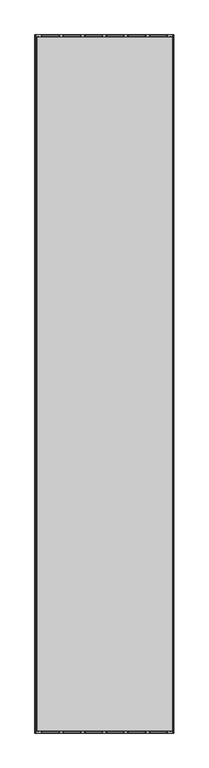
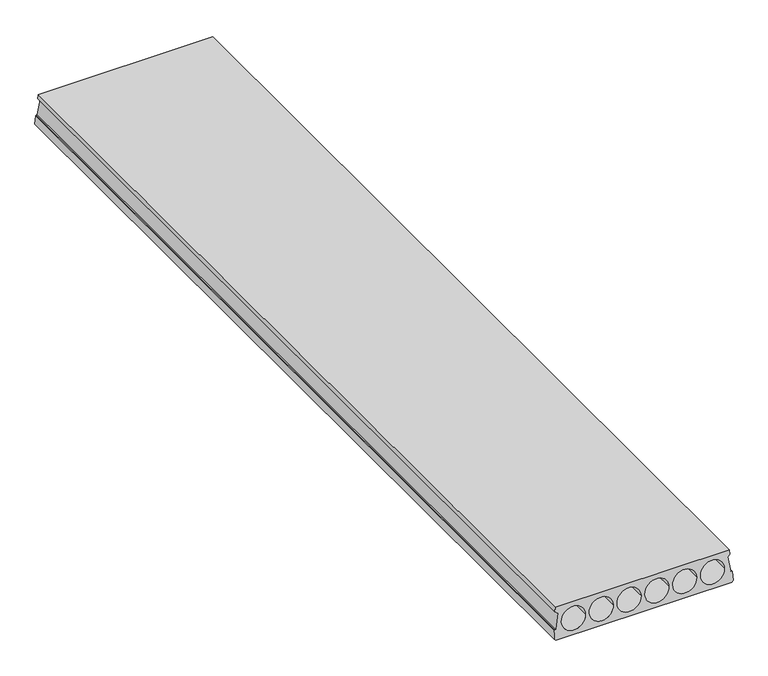
"""IFC4 building model written with IfcOpenShell, lengths in millimetres: beam geometry."""

from ifc_helpers import new_model, si_unit, frame, origin, place, context, project, spatial, polyline, ellipse_curve, source, transform, mapped, element, save
from ifc_brep_helpers import plane_surface, revolved_surface, advanced_brep


def beam_27642840(model_context):
    return source(origin(), model_context, "Body", "AdvancedBrep", [
        advanced_brep(
        [(10.0, -5980.0, 0.0), (10.0, 0.0, 0.0), (1180.0, 0.0, 0.0), (1180.0, -5980.0, 0.0), (1174.7696772, -15.0, 220.0), (15.0, -15.0, 220.0), (15.0, -5965.0, 220.0), (1174.7696772, -5965.0, 220.0), (12.8871596, -12.9831978, 190.4202344), (15.8795357, -12.9686245, 190.2064933), (15.8795357, -5967.0313755, 190.2064933), (12.8871596, -5967.0168022, 190.4202344), (29.9864516, -12.0796557, 177.1682831), (29.9864516, -5967.9203443, 177.1682831), (12.6021714, -5.0553442, 74.1450488), (12.6021714, -5974.9446558, 74.1450488), (7.3298897, -4.8075988, 70.5114493), (7.3298897, -5975.1924012, 70.5114493), (4.3580656, -4.8417899, 71.0129189), (4.3580656, -5975.1582101, 71.0129189), (0.0, -0.6818182, 10.0), (0.0, -5979.3181818, 10.0), (1190.0, -0.6818182, 10.0), (1190.0, -5979.3181818, 10.0), (1185.6391914, -4.8444083, 71.051321), (1185.6391914, -5975.1555917, 71.051321), (1182.4401418, -4.8076029, 70.5115091), (1182.4401418, -5975.1923971, 70.5115091), (1177.167566, -5.0553621, 74.1453113), (1177.167566, -5974.9446379, 74.1453113), (1159.9865416, -12.0796614, 177.1683675), (1159.9865416, -5967.9203386, 177.1683675), (1173.8901415, -12.9686245, 190.2064933), (1173.8901415, -5967.0313755, 190.2064933), (1176.8825176, -12.9831978, 190.4202344), (1176.8825176, -5967.0168022, 190.4202344), (212.0, -7.4401262, 109.1218503), (53.0, -7.4401262, 109.1218503), (53.0, -5972.5598738, 109.1218503), (212.0, -5972.5598738, 109.1218503), (397.0, -7.4401262, 109.1218503), (238.0, -7.4401262, 109.1218503), (238.0, -5972.5598738, 109.1218503), (397.0, -5972.5598738, 109.1218503), (423.0, -7.4401262, 109.1218503), (582.0, -7.4401262, 109.1218503), (608.0, -7.4401262, 109.1218503), (767.0, -7.4401262, 109.1218503), (793.0, -7.4401262, 109.1218503), (952.0, -7.4401262, 109.1218503), (978.0, -7.4401262, 109.1218503), (1137.0, -7.4401262, 109.1218503), (582.0, -5972.5598738, 109.1218503), (423.0, -5972.5598738, 109.1218503), (767.0, -5972.5598738, 109.1218503), (608.0, -5972.5598738, 109.1218503), (952.0, -5972.5598738, 109.1218503), (793.0, -5972.5598738, 109.1218503), (1137.0, -5972.5598738, 109.1218503), (978.0, -5972.5598738, 109.1218503)],
        [
            (0, 1),
            (1, 2),
            (2, 3),
            (3, 0),
            (4, 5),
            (5, 6),
            (6, 7),
            (7, 4),
            (8, 9),
            (9, 10),
            (10, 11),
            (11, 8),
            (9, 12),
            (12, 13),
            (13, 10),
            (12, 14),
            (14, 15),
            (15, 13),
            (14, 16),
            (16, 17),
            (17, 15),
            (16, 18),
            (18, 19),
            (19, 17),
            (18, 20),
            (20, 21),
            (21, 19),
            (0, 21),
            (20, 1),
            (2, 22),
            (22, 23),
            (23, 3),
            (22, 24),
            (24, 25),
            (25, 23),
            (24, 26),
            (26, 27),
            (27, 25),
            (26, 28),
            (28, 29),
            (29, 27),
            (28, 30),
            (30, 31),
            (31, 29),
            (30, 32),
            (32, 33),
            (33, 31),
            (32, 34),
            (34, 35),
            (35, 33),
            (34, 4),
            (7, 35),
            (36, 37, ellipse_curve(frame((132.5, -7.4401262, 109.1218503), z_axis=(0.0, 0.9976836926815401, 0.06802388813737582), x_axis=(0.0, -0.06802388813737509, 0.9976836926815403)), 79.684574, 79.5)),
            (37, 38),
            (38, 39, ellipse_curve(frame((132.5, -5972.5598738, 109.1218503), z_axis=(0.0, -0.9976836926815401, 0.0680238881373752), x_axis=(0.0, -0.06802388813737571, -0.9976836926815402)), 79.684574, 79.5)),
            (39, 36),
            (37, 36, ellipse_curve(frame((132.5, -7.4401262, 109.1218503), z_axis=(0.0, 0.9976836926815401, 0.06802388813737582), x_axis=(0.0, -0.06802388813737509, 0.9976836926815403)), 79.684574, 79.5)),
            (39, 38, ellipse_curve(frame((132.5, -5972.5598738, 109.1218503), z_axis=(0.0, -0.9976836926815401, 0.0680238881373752), x_axis=(0.0, -0.06802388813737571, -0.9976836926815402)), 79.684574, 79.5)),
            (40, 41, ellipse_curve(frame((317.5, -7.4401262, 109.1218503), z_axis=(0.0, 0.9976836926815401, 0.06802388813737582), x_axis=(0.0, -0.06802388813737509, 0.9976836926815403)), 79.684574, 79.5)),
            (41, 42),
            (42, 43, ellipse_curve(frame((317.5, -5972.5598738, 109.1218503), z_axis=(0.0, -0.9976836926815401, 0.0680238881373752), x_axis=(0.0, -0.06802388813737571, -0.9976836926815402)), 79.684574, 79.5)),
            (43, 40),
            (41, 40, ellipse_curve(frame((317.5, -7.4401262, 109.1218503), z_axis=(0.0, 0.9976836926815401, 0.06802388813737582), x_axis=(0.0, -0.06802388813737509, 0.9976836926815403)), 79.684574, 79.5)),
            (43, 42, ellipse_curve(frame((317.5, -5972.5598738, 109.1218503), z_axis=(0.0, -0.9976836926815401, 0.0680238881373752), x_axis=(0.0, -0.06802388813737571, -0.9976836926815402)), 79.684574, 79.5)),
            (8, 5),
            (44, 45, ellipse_curve(frame((502.5, -7.4401262, 109.1218503), z_axis=(0.0, -0.9976836926815401, -0.06802388813737582), x_axis=(0.0, -0.06802388813737509, 0.9976836926815403)), 79.684574, 79.5)),
            (45, 44, ellipse_curve(frame((502.5, -7.4401262, 109.1218503), z_axis=(0.0, -0.9976836926815401, -0.06802388813737582), x_axis=(0.0, -0.06802388813737509, 0.9976836926815403)), 79.684574, 79.5)),
            (46, 47, ellipse_curve(frame((687.5, -7.4401262, 109.1218503), z_axis=(0.0, -0.9976836926815401, -0.06802388813737582), x_axis=(0.0, -0.06802388813737509, 0.9976836926815403)), 79.684574, 79.5)),
            (47, 46, ellipse_curve(frame((687.5, -7.4401262, 109.1218503), z_axis=(0.0, -0.9976836926815401, -0.06802388813737582), x_axis=(0.0, -0.06802388813737509, 0.9976836926815403)), 79.684574, 79.5)),
            (48, 49, ellipse_curve(frame((872.5, -7.4401262, 109.1218503), z_axis=(0.0, -0.9976836926815401, -0.06802388813737582), x_axis=(0.0, -0.06802388813737509, 0.9976836926815403)), 79.684574, 79.5)),
            (49, 48, ellipse_curve(frame((872.5, -7.4401262, 109.1218503), z_axis=(0.0, -0.9976836926815401, -0.06802388813737582), x_axis=(0.0, -0.06802388813737509, 0.9976836926815403)), 79.684574, 79.5)),
            (50, 51, ellipse_curve(frame((1057.5, -7.4401262, 109.1218503), z_axis=(0.0, -0.9976836926815401, -0.06802388813737582), x_axis=(0.0, -0.06802388813737509, 0.9976836926815403)), 79.684574, 79.5)),
            (51, 50, ellipse_curve(frame((1057.5, -7.4401262, 109.1218503), z_axis=(0.0, -0.9976836926815401, -0.06802388813737582), x_axis=(0.0, -0.06802388813737509, 0.9976836926815403)), 79.684574, 79.5)),
            (6, 11),
            (52, 53, ellipse_curve(frame((502.5, -5972.5598738, 109.1218503), z_axis=(0.0, 0.9976836926815401, -0.0680238881373752), x_axis=(0.0, -0.06802388813737571, -0.9976836926815402)), 79.684574, 79.5)),
            (53, 52, ellipse_curve(frame((502.5, -5972.5598738, 109.1218503), z_axis=(0.0, 0.9976836926815401, -0.0680238881373752), x_axis=(0.0, -0.06802388813737571, -0.9976836926815402)), 79.684574, 79.5)),
            (54, 55, ellipse_curve(frame((687.5, -5972.5598738, 109.1218503), z_axis=(0.0, 0.9976836926815401, -0.0680238881373752), x_axis=(0.0, -0.06802388813737571, -0.9976836926815402)), 79.684574, 79.5)),
            (55, 54, ellipse_curve(frame((687.5, -5972.5598738, 109.1218503), z_axis=(0.0, 0.9976836926815401, -0.0680238881373752), x_axis=(0.0, -0.06802388813737571, -0.9976836926815402)), 79.684574, 79.5)),
            (56, 57, ellipse_curve(frame((872.5, -5972.5598738, 109.1218503), z_axis=(0.0, 0.9976836926815401, -0.0680238881373752), x_axis=(0.0, -0.06802388813737571, -0.9976836926815402)), 79.684574, 79.5)),
            (57, 56, ellipse_curve(frame((872.5, -5972.5598738, 109.1218503), z_axis=(0.0, 0.9976836926815401, -0.0680238881373752), x_axis=(0.0, -0.06802388813737571, -0.9976836926815402)), 79.684574, 79.5)),
            (58, 59, ellipse_curve(frame((1057.5, -5972.5598738, 109.1218503), z_axis=(0.0, 0.9976836926815401, -0.0680238881373752), x_axis=(0.0, -0.06802388813737571, -0.9976836926815402)), 79.684574, 79.5)),
            (59, 58, ellipse_curve(frame((1057.5, -5972.5598738, 109.1218503), z_axis=(0.0, 0.9976836926815401, -0.0680238881373752), x_axis=(0.0, -0.06802388813737571, -0.9976836926815402)), 79.684574, 79.5)),
            (44, 53),
            (52, 45),
            (46, 55),
            (54, 47),
            (48, 57),
            (56, 49),
            (50, 59),
            (58, 51),
        ],
        [
            plane_surface(frame((10.0, -5980.0, 0.0), z_axis=(0.0, 0.0, -1.0), x_axis=(0.0, 1.0, 0.0))),
            plane_surface(frame((1174.7696772, -5980.0, 220.0), z_axis=(0.0, 0.0, 1.0), x_axis=(0.0, 1.0, 0.0))),
            plane_surface(frame((12.8871596, -5980.0, 190.4202344), z_axis=(-0.07124704998790854, 0.0, -0.9974586998307351), x_axis=(0.0, 1.0, 0.0))),
            plane_surface(frame((15.8795357, -5980.0, 190.2064933), z_axis=(-0.6787421090247223, 0.0, -0.7343767081251095), x_axis=(0.0, 1.0, 0.0))),
            plane_surface(frame((29.9864516, -5980.0, 177.1682831), z_axis=(-0.986060169345494, 0.0, 0.16638912954377705), x_axis=(0.0, 1.0, 0.0))),
            plane_surface(frame((12.6021714, -5980.0, 74.1450488), z_axis=(-0.5674729108239465, 0.0, 0.8233920666857298), x_axis=(0.0, 1.0, 0.0))),
            plane_surface(frame((7.3298897, -5980.0, 70.5114493), z_axis=(0.1663891295437833, 0.0, 0.9860601693454929), x_axis=(0.0, 1.0, 0.0))),
            plane_surface(frame((4.3580656, -5980.0, 71.0129189), z_axis=(-0.9974586998307351, 0.0, 0.07124704998791023), x_axis=(0.0, 1.0, 0.0))),
            plane_surface(frame((0.0, -5980.0, 10.0), z_axis=(-0.7071067811865309, 0.0, -0.7071067811865641), x_axis=(0.0, 1.0, 0.0))),
            plane_surface(frame((1180.0, -5980.0, 0.0), z_axis=(0.7071067811866504, 0.0, -0.7071067811864447), x_axis=(0.0, 1.0, 0.0))),
            plane_surface(frame((1190.0, -5980.0, 10.0), z_axis=(0.9974586998307324, 0.0, 0.07124704998794615), x_axis=(0.0, 1.0, 0.0))),
            plane_surface(frame((1185.6391914, -5980.0, 71.051321), z_axis=(-0.16638912954377913, 0.0, 0.9860601693454937), x_axis=(0.0, 1.0, 0.0))),
            plane_surface(frame((1182.4401418, -5980.0, 70.5115091), z_axis=(0.5674729108239595, 0.0, 0.8233920666857208), x_axis=(0.0, 1.0, 0.0))),
            plane_surface(frame((1177.167566, -5980.0, 74.1453113), z_axis=(0.9863775932866558, 0.0, 0.16449694058560713), x_axis=(0.0, 1.0, 0.0))),
            plane_surface(frame((1159.9865416, -5980.0, 177.1683675), z_axis=(0.6840388775846207, 0.0, -0.729445552425109), x_axis=(0.0, 1.0, 0.0))),
            plane_surface(frame((1173.8901415, -5980.0, 190.2064933), z_axis=(0.07124704998787597, 0.0, -0.9974586998307374), x_axis=(0.0, 1.0, 0.0))),
            plane_surface(frame((1176.8825176, -5980.0, 190.4202344), z_axis=(0.9974586998307365, 0.0, 0.07124704998788906), x_axis=(0.0, 1.0, 0.0))),
            revolved_surface(polyline([(212.0, -5977.9803283480505, 109.1218503), (212.0, -2.0196716519496123, 109.1218503)]), (132.5, 0.0, 109.1218503), (0.0, -1.0, 0.0)),
            revolved_surface(polyline([(397.0, -5977.9803283480505, 109.1218503), (397.0, -2.0196716519496123, 109.1218503)]), (317.5, 0.0, 109.1218503), (0.0, -1.0, 0.0)),
            plane_surface(frame((1190.0, -15.0, 220.0), z_axis=(0.0, 0.9976836926815401, 0.06802388813737582), x_axis=(-1.0, 0.0, 0.0))),
            plane_surface(frame((1190.0, -5980.0, 0.0), z_axis=(0.0, -0.9976836926815401, 0.0680238881373752), x_axis=(-1.0, 0.0, 0.0))),
            revolved_surface(polyline([(582.0, -5977.9803283480505, 109.1218503), (582.0, -2.0196716519496123, 109.1218503)]), (502.5, 0.0, 109.1218503), (0.0, -1.0, 0.0)),
            plane_surface(frame((15.0, -5980.0, 220.0), z_axis=(-0.997458699830735, 0.0, 0.07124704998791008), x_axis=(0.0, 1.0, 0.0))),
            revolved_surface(polyline([(767.0, -5977.9803283480505, 109.1218503), (767.0, -2.0196716519496123, 109.1218503)]), (687.5, 0.0, 109.1218503), (0.0, -1.0, 0.0)),
            revolved_surface(polyline([(952.0, -5977.9803283480505, 109.1218503), (952.0, -2.0196716519496123, 109.1218503)]), (872.5, 0.0, 109.1218503), (0.0, -1.0, 0.0)),
            revolved_surface(polyline([(1137.0, -5977.9803283480505, 109.1218503), (1137.0, -2.0196716519496123, 109.1218503)]), (1057.5, 0.0, 109.1218503), (0.0, -1.0, 0.0)),
        ],
        [
            (0, [[1, 2, 3, 4]]),
            (1, [[5, 6, 7, 8]]),
            (2, [[9, 10, 11, 12]]),
            (3, [[13, 14, 15, -10]]),
            (4, [[16, 17, 18, -14]]),
            (5, [[19, 20, 21, -17]]),
            (6, [[22, 23, 24, -20]]),
            (7, [[25, 26, 27, -23]]),
            (8, [[-1, 28, -26, 29]]),
            (9, [[-3, 30, 31, 32]]),
            (10, [[33, 34, 35, -31]]),
            (11, [[36, 37, 38, -34]]),
            (12, [[39, 40, 41, -37]]),
            (13, [[42, 43, 44, -40]]),
            (14, [[45, 46, 47, -43]]),
            (15, [[48, 49, 50, -46]]),
            (16, [[51, -8, 52, -49]]),
            (17, [[53, 54, 55, 56]]),
            (17, [[57, -56, 58, -54]]),
            (18, [[59, 60, 61, 62]]),
            (18, [[63, -62, 64, -60]]),
            (19, [[-2, -29, -25, -22, -19, -16, -13, -9, 65, -5, -51, -48, -45, -42, -39, -36, -33, -30], [-53, -57], [-59, -63], [66, 67], [68, 69], [70, 71], [72, 73]]),
            (20, [[-4, -32, -35, -38, -41, -44, -47, -50, -52, -7, 74, -11, -15, -18, -21, -24, -27, -28], [-55, -58], [-61, -64], [75, 76], [77, 78], [79, 80], [81, 82]]),
            (21, [[83, -75, 84, -66]]),
            (21, [[-83, -67, -84, -76]]),
            (22, [[-65, -12, -74, -6]]),
            (23, [[85, -77, 86, -68]]),
            (23, [[-85, -69, -86, -78]]),
            (24, [[87, -79, 88, -70]]),
            (24, [[-87, -71, -88, -80]]),
            (25, [[89, -81, 90, -72]]),
            (25, [[-89, -73, -90, -82]]),
        ],
    ),
    ])


if __name__ == "__main__":
    model = new_model("IFC4")
    model_context = context("Model", 3, world=origin())
    ifc_project = project(units=[si_unit("LENGTHUNIT", "METRE", prefix="MILLI")], contexts=[model_context])
    site = spatial("IfcSite", under=ifc_project)
    building = spatial("IfcBuilding", under=site)
    placement = place(None, origin())
    beam_shape = beam_27642840(model_context)
    element("IfcBeam", 1, at=placement, inside=building, context=model_context, shape_type="MappedRepresentation", body=[
        mapped(beam_shape, transform((0.0, 0.0, 0.0), x_axis=(1.0, 0.0, 0.0), y_axis=(0.0, 1.0, 0.0), z_axis=(0.0, 0.0, 1.0))),
    ])
    save(model, "model.ifc")
